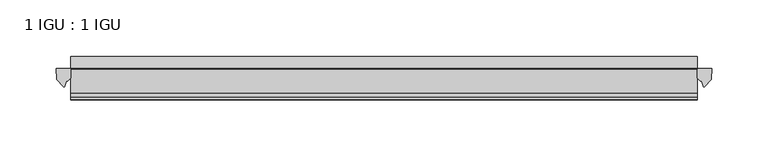
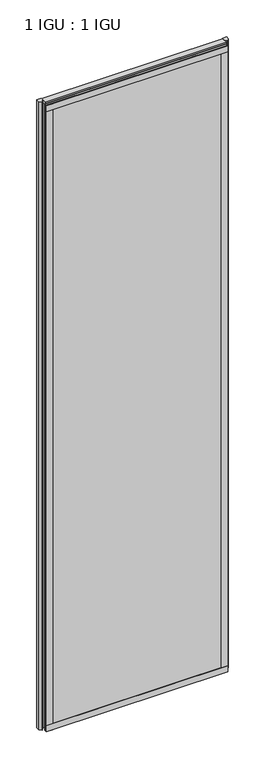
"""IFC4 building model written with IfcOpenShell, lengths in millimetres: plate geometry, 1 IGU : 1 IGU."""

import ifcopenshell
import ifcopenshell.guid

model = None  # the IFC model being written
_history = None  # IfcOwnerHistory: only IFC2X3 demands one
_inside = {}  # id of a spatial element -> (the spatial element, [elements in it])
_under = {}  # id of a project, library or spatial element -> (it, [spatial elements below it])
_declared = {}  # id of a project -> (the project, [libraries it declares])
_typed = {}  # id of a type object -> (the type object, [elements of that type])
_made_of = {}  # id of a material, layer set ... -> (it, [elements and type objects made of it])


def new_model(schema):
    """Start an empty IFC model of exactly this schema.

    Asked for "IFC4X3", IfcOpenShell would pick the latest addendum, in which some entities
    have other attributes; the version numbers below select the first issue.
    IFC2X3 requires an IfcOwnerHistory on every rooted entity: one is made here for all.
    """
    global model, _history
    if schema == "IFC4X3":
        model = ifcopenshell.file(schema_version=(4, 3, 0, 0))
    else:
        model = ifcopenshell.file(schema=schema)
    _inside.clear()
    _under.clear()
    _declared.clear()
    _typed.clear()
    _made_of.clear()
    _history = None
    if model.schema == "IFC2X3":
        org = make("IfcOrganization", Name="unknown")
        user = make(
            "IfcPersonAndOrganization",
            ThePerson=make("IfcPerson", FamilyName="unknown"),
            TheOrganization=org,
        )
        app = make(
            "IfcApplication",
            ApplicationDeveloper=org,
            Version="unknown",
            ApplicationFullName="unknown",
            ApplicationIdentifier="unknown",
        )
        _history = make(
            "IfcOwnerHistory",
            OwningUser=user,
            OwningApplication=app,
            ChangeAction="ADDED",
            CreationDate=0,
        )
    return model


def make(cls, **values):
    """One entity of the class cls with the attributes given. An attribute that is None is left unset."""
    return model.create_entity(
        cls, **{name: value for name, value in values.items() if value is not None}
    )


def rooted(cls, **values):
    """An entity with a GlobalId (a new one), such as an element, a storey or a relation."""
    return make(cls, GlobalId=ifcopenshell.guid.new(), OwnerHistory=_history, **values)


def si_unit(unit_type, name, prefix=None):
    """IfcSIUnit, for example si_unit("LENGTHUNIT", "METRE", prefix="MILLI")."""
    return make("IfcSIUnit", UnitType=unit_type, Prefix=prefix, Name=name)


def assignment(units):
    """IfcUnitAssignment: the units of a project."""
    return None if units is None else make("IfcUnitAssignment", Units=units)


def point(xyz):
    """IfcCartesianPoint."""
    return None if xyz is None else make("IfcCartesianPoint", Coordinates=xyz)


def direction(xyz):
    """IfcDirection."""
    return None if xyz is None else make("IfcDirection", DirectionRatios=xyz)


def frame(location, z_axis=None, x_axis=None):
    """IfcAxis2Placement3D, a coordinate frame: its origin and axes. An axis left out is left unset."""
    return make(
        "IfcAxis2Placement3D",
        Location=point(location),
        Axis=direction(z_axis),
        RefDirection=direction(x_axis),
    )


def frame_2d(location, x_axis=None):
    """IfcAxis2Placement2D, a coordinate frame in the plane: its origin and x axis."""
    return make(
        "IfcAxis2Placement2D", Location=point(location), RefDirection=direction(x_axis)
    )


def origin():
    """The frame at (0, 0, 0) with its axes left unset."""
    return frame((0.0, 0.0, 0.0))


def place(relative_to, where):
    """IfcLocalPlacement: puts the frame where relative to a parent placement (None: the world)."""
    return make(
        "IfcLocalPlacement", PlacementRelTo=relative_to, RelativePlacement=where
    )


def context(
    kind, dimensions, precision=None, world=None, true_north=None, identifier=None
):
    """IfcGeometricRepresentationContext, for example the 3D "Model" context."""
    return make(
        "IfcGeometricRepresentationContext",
        ContextIdentifier=identifier,
        ContextType=kind,
        CoordinateSpaceDimension=dimensions,
        Precision=precision,
        WorldCoordinateSystem=world,
        TrueNorth=true_north,
    )


def project(units=None, contexts=None):
    """IfcProject with its units and contexts."""
    return rooted(
        "IfcProject",
        Name="project",
        RepresentationContexts=contexts,
        UnitsInContext=assignment(units),
    )


def spatial(cls, under=None, at=None, **own):
    """A site, building, storey or space (cls), placed at a placement, below another one or the project."""
    s = rooted(cls, ObjectPlacement=at, **own)
    if under is not None:
        _under.setdefault(under.id(), (under, []))[1].append(s)
    return s


def polyline(points):
    """IfcPolyline through the points."""
    return make("IfcPolyline", Points=[point(p) for p in points])


def circle_curve(where, radius):
    """IfcCircle in the frame where."""
    return make("IfcCircle", Position=where, Radius=radius)


def ellipse_curve(where, semi_axis1, semi_axis2):
    """IfcEllipse in the frame where."""
    return make(
        "IfcEllipse", Position=where, SemiAxis1=semi_axis1, SemiAxis2=semi_axis2
    )


def trimmed(basis, trim1, trim2, sense, master):
    """IfcTrimmedCurve: the piece of a basis curve between two trims."""
    return make(
        "IfcTrimmedCurve",
        BasisCurve=basis,
        Trim1=trim1,
        Trim2=trim2,
        SenseAgreement=sense,
        MasterRepresentation=master,
    )


def segment(curve, same_sense, transition):
    """IfcCompositeCurveSegment."""
    return make(
        "IfcCompositeCurveSegment",
        Transition=transition,
        SameSense=same_sense,
        ParentCurve=curve,
    )


def composite_curve(segments, self_intersect=None):
    """IfcCompositeCurve: segments joined end to end."""
    return make("IfcCompositeCurve", Segments=segments, SelfIntersect=self_intersect)


def outline(outer, holes=None, kind="AREA"):
    """IfcArbitraryClosedProfileDef: a profile drawn as a closed curve; with holes, ...WithVoids."""
    if holes is None:
        return make("IfcArbitraryClosedProfileDef", ProfileType=kind, OuterCurve=outer)
    return make(
        "IfcArbitraryProfileDefWithVoids",
        ProfileType=kind,
        OuterCurve=outer,
        InnerCurves=holes,
    )


def extrude(swept, where, along, depth):
    """IfcExtrudedAreaSolid: the profile swept, set in the frame where, extruded along a direction by depth."""
    return make(
        "IfcExtrudedAreaSolid",
        SweptArea=swept,
        Position=where,
        ExtrudedDirection=direction(along),
        Depth=depth,
    )


def shape(context_of_items, identifier, shape_type, items):
    """IfcShapeRepresentation: the items that make up one representation, for example the "Body"."""
    return make(
        "IfcShapeRepresentation",
        ContextOfItems=context_of_items,
        RepresentationIdentifier=identifier,
        RepresentationType=shape_type,
        Items=items,
    )


def source(mapping_origin, context_of_items, identifier, shape_type, items):
    """IfcRepresentationMap: a shape defined once, which mapped items show again and again."""
    return make(
        "IfcRepresentationMap",
        MappingOrigin=mapping_origin,
        MappedRepresentation=shape(context_of_items, identifier, shape_type, items),
    )


def transform(
    local_origin,
    x_axis=None,
    y_axis=None,
    z_axis=None,
    scale=None,
    scale2=None,
    scale3=None,
    uniform=True,
):
    """IfcCartesianTransformationOperator3D, or its non-uniform kind. x_axis, y_axis, z_axis: its Axis1, 2, 3."""
    if uniform:
        return make(
            "IfcCartesianTransformationOperator3D",
            Axis1=direction(x_axis),
            Axis2=direction(y_axis),
            LocalOrigin=point(local_origin),
            Scale=scale,
            Axis3=direction(z_axis),
        )
    return make(
        "IfcCartesianTransformationOperator3DnonUniform",
        Axis1=direction(x_axis),
        Axis2=direction(y_axis),
        LocalOrigin=point(local_origin),
        Scale=scale,
        Axis3=direction(z_axis),
        Scale2=scale2,
        Scale3=scale3,
    )


def mapped(mapping_source, mapping_target):
    """IfcMappedItem: shows the shape of a source again, moved by a transform."""
    return make(
        "IfcMappedItem", MappingSource=mapping_source, MappingTarget=mapping_target
    )


def made_of(thing, what):
    """Note that an element or type object is made of a material, layer set ...; save() writes the relation."""
    if what is not None:
        _made_of.setdefault(what.id(), (what, []))[1].append(thing)
    return thing


def element(
    cls,
    number,
    at=None,
    inside=None,
    cuts=None,
    type_object=None,
    material=None,
    context=None,
    identifier="Body",
    shape_type=None,
    held_by="IfcProductDefinitionShape",
    body=None,
    shapes=None,
    **own,
):
    """One element of the class cls, such as IfcWall. Its Tag is "e" and its number.

    at: its placement. inside: the storey or other place that contains it. cuts: it is an
    opening in that element (IfcRelVoidsElement). A single representation is given by context,
    identifier, shape_type and body (its items); several are given by shapes. held_by: the class
    of the entity that holds the representations. save() writes the other relations.
    """
    e = rooted(cls, Tag="e%d" % number, ObjectPlacement=at, **own)
    if body is not None:
        shapes = [shape(context, identifier, shape_type, body)]
    if shapes is not None:
        e.Representation = make(held_by, Representations=shapes)
    if inside is not None:
        _inside.setdefault(inside.id(), (inside, []))[1].append(e)
    if cuts is not None:
        rooted(
            "IfcRelVoidsElement", RelatingBuildingElement=cuts, RelatedOpeningElement=e
        )
    if type_object is not None:
        _typed.setdefault(type_object.id(), (type_object, []))[1].append(e)
    return made_of(e, material)


def aggregate(whole, parts):
    """IfcRelAggregates: a whole, such as a stair, and the parts it consists of."""
    return rooted("IfcRelAggregates", RelatingObject=whole, RelatedObjects=parts)


def save(model, path):
    """Write the relations noted so far, then the file.

    IfcRelAggregates (storeys below a building ...), IfcRelContainedInSpatialStructure (elements
    in a storey), IfcRelDefinesByType, IfcRelAssociatesMaterial and IfcRelDeclares: one each for
    every whole, place, type object, material and project.
    """
    for whole, parts in _under.values():
        aggregate(whole, parts)
    for where, things in _inside.values():
        rooted(
            "IfcRelContainedInSpatialStructure",
            RelatedElements=things,
            RelatingStructure=where,
        )
    for kind, things in _typed.values():
        rooted("IfcRelDefinesByType", RelatedObjects=things, RelatingType=kind)
    for what, things in _made_of.values():
        rooted("IfcRelAssociatesMaterial", RelatedObjects=things, RelatingMaterial=what)
    for by, libraries in _declared.values():
        rooted("IfcRelDeclares", RelatingContext=by, RelatedDefinitions=libraries)
    model.write(path)


def plane_surface(at):
    """IfcPlane: the flat surface through the origin of the frame at, square to its z axis."""
    return make("IfcPlane", Position=at)


def cylinder_surface(at, radius):
    """IfcCylindricalSurface: all points at the distance radius from the z axis of the frame at."""
    return make("IfcCylindricalSurface", Position=at, Radius=radius)


def revolved_surface(curve, axis_point, axis_direction):
    """IfcSurfaceOfRevolution: the curve turned about the line through axis_point along axis_direction."""
    return make(
        "IfcSurfaceOfRevolution",
        SweptCurve=make("IfcArbitraryOpenProfileDef", ProfileType="CURVE", Curve=curve),
        AxisPosition=make("IfcAxis1Placement", Location=point(axis_point), Axis=direction(axis_direction)),
    )


def extruded_surface(curve, direction_of_extrusion, depth):
    """IfcSurfaceOfLinearExtrusion: the curve pushed along a direction by depth."""
    return make(
        "IfcSurfaceOfLinearExtrusion",
        SweptCurve=make("IfcArbitraryOpenProfileDef", ProfileType="CURVE", Curve=curve),
        ExtrudedDirection=direction(direction_of_extrusion),
        Depth=depth,
    )


def advanced_brep(points, edges, surfaces, faces):
    """IfcAdvancedBrep: a solid bounded by faces that lie on surfaces and meet in shared edges.

    An edge is (start, end): straight between two places in points (the first is 0);
    or (start, end, curve); or (start, end, curve, False) where it runs against its curve.
    A face is (place in surfaces, loops), or (place, loops, False) where it looks against
    its surface's normal. A loop lists edges by number (the first is 1), with a minus sign
    where the edge is run from its end to its start. The first loop is the outer one.
    """
    corners = [point(p) for p in points]
    vertices = [make("IfcVertexPoint", VertexGeometry=c) for c in corners]
    made = []
    for start, end, *more in edges:
        made.append(
            make(
                "IfcEdgeCurve",
                EdgeStart=vertices[start],
                EdgeEnd=vertices[end],
                EdgeGeometry=more[0] if more else make("IfcPolyline", Points=[corners[start], corners[end]]),
                SameSense=more[1] if len(more) > 1 else True,
            )
        )
    hull = []
    for where, loops, *sense in faces:
        bounds = []
        for j, loop in enumerate(loops):
            ring = [make("IfcOrientedEdge", EdgeElement=made[abs(k) - 1], Orientation=k > 0) for k in loop]
            bounds.append(
                make(
                    "IfcFaceOuterBound" if j == 0 else "IfcFaceBound",
                    Bound=make("IfcEdgeLoop", EdgeList=ring),
                    Orientation=True,
                )
            )
        hull.append(make("IfcAdvancedFace", Bounds=bounds, FaceSurface=surfaces[where], SameSense=sense[0] if sense else True))
    return make("IfcAdvancedBrep", Outer=make("IfcClosedShell", CfsFaces=hull))


def plate_1_igu_1_igu_2bdc7db9(model_context):
    return source(origin(), model_context, "Body", "SolidModel", [
        extrude(outline(polyline([(278.8939471, -11.6085937), (278.8939471, -18.8576359), (-278.8939471, -18.8576359), (-278.8939471, -11.6085937), (278.8939471, -11.6085937)])), frame((0.0, 0.0, -19.05), z_axis=(0.0, 0.0, 1.0), x_axis=(1.0, 0.0, 0.0)), (0.0, 0.0, 1.0), 2038.3500001),
        extrude(outline(polyline([(-278.8939471, -30.7093937), (278.8939471, -30.7093937), (278.8939471, -37.0085937), (-278.8939471, -37.0085937), (-278.8939471, -30.7093937)])), frame((0.0, 0.0, -19.05), z_axis=(0.0, 0.0, 1.0), x_axis=(1.0, 0.0, 0.0)), (0.0, 0.0, 1.0), 2038.3500001),
        extrude(outline(composite_curve([segment(polyline([(291.9718562, -11.6101465), (291.5939471, -21.3502133), (285.6558938, -27.6095865)]), True, "CONTINUOUS"), segment(trimmed(circle_curve(frame_2d((284.9830877, -27.2518492)), 0.762), [point((285.6558938, -27.6095865))], [point((284.2543835, -27.4746364))], False, "CARTESIAN"), True, "CONTINUOUS"), segment(polyline([(284.2543835, -27.4746364), (282.992549, -23.3488397)]), True, "CONTINUOUS"), segment(trimmed(circle_curve(frame_2d((285.1745061, -16.3834724)), 7.2991286), [point((282.992549, -23.3488397))], [point((278.8941257, -20.1028944))], False, "CARTESIAN"), True, "CONTINUOUS"), segment(polyline([(278.8941257, -20.1028944), (278.8941257, -12.664425)]), True, "CONTINUOUS"), segment(trimmed(circle_curve(frame_2d((285.1753802, -16.3827796)), 7.2993369), [point((278.8941257, -12.664425))], [point((279.6524921, -11.6101465))], False, "CARTESIAN"), True, "CONTINUOUS"), segment(polyline([(279.6524921, -11.6101465), (291.9718562, -11.6101465)]), True, "CONTINUOUS")], self_intersect=False)), frame((0.0, 0.0, -19.05), z_axis=(0.0, 0.0, 1.0), x_axis=(1.0, 0.0, 0.0)), (0.0, 0.0, 1.0), 2045.4874001),
        extrude(outline(composite_curve([segment(polyline([(-278.8939471, -11.610702), (-278.8939471, -20.1014769)]), True, "CONTINUOUS"), segment(trimmed(circle_curve(frame_2d((-285.1751414, -16.3829847)), 7.2993552), [point((-278.8939471, -20.1014769))], [point((-282.9928968, -23.3484994))], False, "CARTESIAN"), True, "CONTINUOUS"), segment(polyline([(-282.9928968, -23.3484994), (-284.2543835, -27.4746364)]), True, "CONTINUOUS"), segment(trimmed(circle_curve(frame_2d((-284.9830877, -27.2518492)), 0.762), [point((-284.2543835, -27.4746364))], [point((-285.6558938, -27.6095865))], False, "CARTESIAN"), True, "CONTINUOUS"), segment(polyline([(-285.6558938, -27.6095865), (-291.5939471, -21.3502133), (-291.9718562, -11.610702), (-278.8939471, -11.610702)]), True, "CONTINUOUS")], self_intersect=False)), frame((0.0, 0.0, -19.05), z_axis=(0.0, 0.0, 1.0), x_axis=(1.0, 0.0, 0.0)), (0.0, 0.0, 1.0), 2045.4874001),
        extrude(outline(polyline([(-11.6085937, -15.24), (-11.6085937, 2.8161565), (-0.5298609, 1.2591422), (-0.5298609, -0.6645794), (-5.258589, 0.0), (-5.258589, -4.826), (-1.575589, -4.826), (-1.575589, -7.874), (-5.258589, -7.874), (-5.258589, -13.208), (-3.099589, -13.208), (-3.099589, -15.24), (-11.6085937, -15.24)])), frame((-278.8939471, 0.0, 0.0), z_axis=(1.0, 0.0, 0.0), x_axis=(0.0, 1.0, 0.0)), (0.0, 0.0, 1.0), 557.7878941),
        extrude(outline(polyline([(-278.8939471, -39.2945937), (-278.8939471, -37.0085937), (278.8939471, -37.0085937), (278.8939471, -39.2945937), (-278.8939471, -39.2945937)])), frame((0.0, 0.0, -19.05), z_axis=(0.0, 0.0, 1.0), x_axis=(1.0, 0.0, 0.0)), (0.0, 0.0, 1.0), 19.05),
        advanced_brep(
        [(-278.8939471, -24.3085937, 2018.1276629), (-278.8939471, -33.4116395, 2026.4374001), (-278.8939471, -12.7165288, 2026.4374001), (-278.8939471, -11.6085937, 2019.3000001), (-278.8939471, -17.9077937, 2019.3000001), (278.8939471, -24.3085937, 2018.1276629), (278.8939471, -17.9077937, 2019.3000001), (278.8939471, -11.6085937, 2019.3000001), (278.8939471, -12.7165288, 2026.4374001), (278.8939471, -33.4116395, 2026.4374001)],
        [
            (0, 1, ellipse_curve(frame((-278.8939471, -24.3085937, 2028.8250001), z_axis=(-1.0, 0.0, 0.0), x_axis=(0.0, 0.0, -1.0)), 10.6973372, 9.3386252)),
            (1, 2),
            (2, 3, circle_curve(frame((-278.8939471, 26.2083666, 2028.8250001), z_axis=(1.0, 0.0, 0.0), x_axis=(0.0, 0.0, -1.0)), 38.9980527)),
            (3, 4),
            (4, 0, circle_curve(frame((-278.8939471, -24.3085937, 2036.1875764), z_axis=(-1.0, 0.0, 0.0), x_axis=(0.0, 0.0, -1.0)), 18.0599135)),
            (5, 6, circle_curve(frame((278.8939471, -24.3085937, 2036.1875764), z_axis=(1.0, 0.0, 0.0), x_axis=(0.0, 0.0, -1.0)), 18.0599135)),
            (6, 7),
            (7, 8, circle_curve(frame((278.8939471, 26.2083666, 2028.8250001), z_axis=(-1.0, 0.0, 0.0), x_axis=(0.0, 0.0, -1.0)), 38.9980527)),
            (8, 9),
            (9, 5, ellipse_curve(frame((278.8939471, -24.3085937, 2028.8250001), z_axis=(1.0, 0.0, 0.0), x_axis=(0.0, 0.0, -1.0)), 10.6973372, 9.3386252)),
            (0, 5),
            (9, 1),
            (8, 2),
            (7, 3),
            (6, 4),
        ],
        [
            plane_surface(frame((-278.8939471, -9.2273437, 2028.8250001), z_axis=(-1.0, 0.0, 0.0), x_axis=(0.0, 1.0, 0.0))),
            plane_surface(frame((278.8939471, -9.2273438, 2028.8250001), z_axis=(1.0, 0.0, 0.0), x_axis=(0.0, 1.0, 0.0))),
            extruded_surface(trimmed(ellipse_curve(frame((278.8939471, -24.3085937, 2028.8250001), z_axis=(-1.0, 0.0, 0.0), x_axis=(0.0, 0.0, -1.0)), 10.6973372, 9.3386252), [point((278.8939471, -24.3085937, 2018.1276629))], [point((278.8939471, -33.4116395, 2026.4374001))], True, "CARTESIAN"), (-557.7878942, 0.0, 0.0), 557.7878942),
            plane_surface(frame((-278.8939471, -33.4116395, 2026.4374001), z_axis=(0.0, 0.0, 1.0), x_axis=(1.0, 0.0, 0.0))),
            revolved_surface(polyline([(278.8939471, 26.2083666, 1989.8269473999999), (-278.8939471, 26.2083666, 1989.8269473999999)]), (-278.8939471, 26.2083666, 2028.8250001), (1.0, 0.0, 0.0)),
            plane_surface(frame((-278.8939471, -11.6085937, 2019.3000001), z_axis=(0.0, 0.0, -1.0), x_axis=(1.0, 0.0, 0.0))),
            cylinder_surface(frame((-278.8939471, -24.3085937, 2036.1875764), z_axis=(-1.0, 0.0, 0.0), x_axis=(0.0, 0.0, -1.0)), 18.0599135),
        ],
        [
            (0, [[1, 2, 3, 4, 5]]),
            (1, [[6, 7, 8, 9, 10]]),
            (2, [[-1, 11, -10, 12]]),
            (3, [[-2, -12, -9, 13]]),
            (4, [[-3, -13, -8, 14]]),
            (5, [[-4, -14, -7, 15]]),
            (6, [[-5, -15, -6, -11]]),
        ],
    ),
        extrude(outline(polyline([(-278.8939471, -39.2945937), (-278.8939471, -37.0085937), (278.8939471, -37.0085937), (278.8939471, -39.2945937), (-278.8939471, -39.2945937)])), frame((0.0, 0.0, 2000.2500001), z_axis=(0.0, 0.0, 1.0), x_axis=(1.0, 0.0, 0.0)), (0.0, 0.0, 1.0), 19.05),
        extrude(outline(polyline([(259.8439471, -37.0085937), (278.8939471, -37.0085937), (278.8939471, -39.2945938), (259.8439471, -39.2945938), (259.8439471, -37.0085937)])), frame((0.0, 0.0, -19.05), z_axis=(0.0, 0.0, 1.0), x_axis=(1.0, 0.0, 0.0)), (0.0, 0.0, 1.0), 2038.3500001),
        extrude(outline(polyline([(-278.8939471, -39.2945937), (-278.8939471, -37.0085937), (-259.8439471, -37.0085937), (-259.8439471, -39.2945937), (-278.8939471, -39.2945937)])), frame((0.0, 0.0, -19.05), z_axis=(0.0, 0.0, 1.0), x_axis=(1.0, 0.0, 0.0)), (0.0, 0.0, 1.0), 2038.3500001),
    ])


if __name__ == "__main__":
    model = new_model("IFC4")
    model_context = context("Model", 3, world=origin())
    ifc_project = project(units=[si_unit("LENGTHUNIT", "METRE", prefix="MILLI")], contexts=[model_context])
    site = spatial("IfcSite", under=ifc_project)
    building = spatial("IfcBuilding", under=site)
    placement = place(None, origin())
    plate_1_igu_1_igu_shape = plate_1_igu_1_igu_2bdc7db9(model_context)
    element("IfcPlate", 1, ObjectType="1 IGU : 1 IGU", at=placement, inside=building, context=model_context, shape_type="MappedRepresentation", body=[
        mapped(plate_1_igu_1_igu_shape, transform((0.0, 0.0, 0.0), x_axis=(1.0, 0.0, 0.0), y_axis=(0.0, 1.0, 0.0), z_axis=(0.0, 0.0, 1.0))),
    ])
    save(model, "model.ifc")
